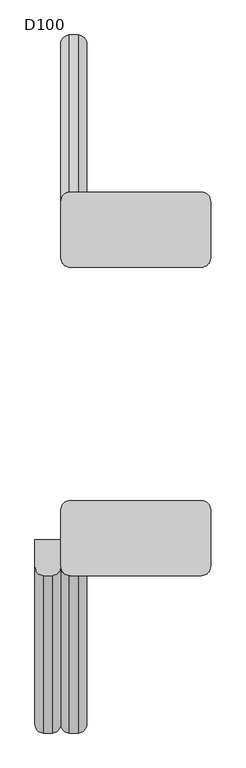
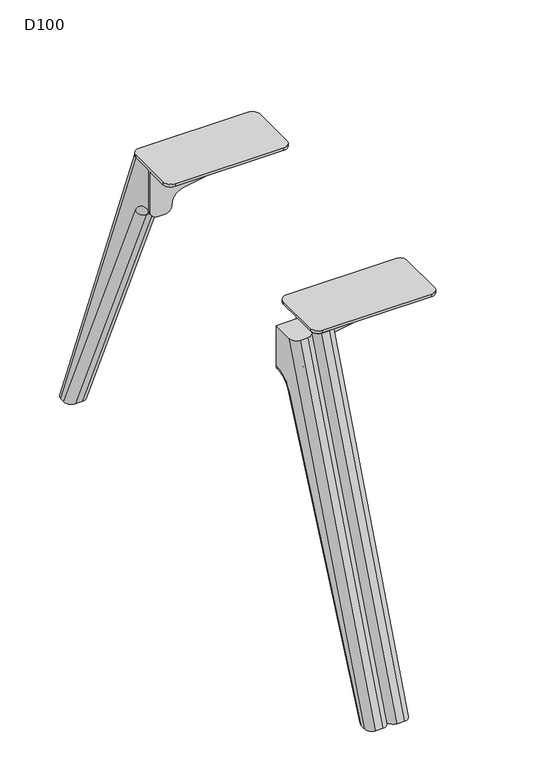
"""IFC4 building model written with IfcOpenShell, lengths in millimetres: furniture geometry, D100."""

from ifc_helpers import new_model, si_unit, point, frame, origin, place, context, project, spatial, polyline, circle_curve, ellipse_curve, trimmed, source, transform, mapped, element, save
from ifc_brep_helpers import plane_surface, cylinder_surface, revolved_surface, advanced_brep


def d100_6df05ffa(model_context):
    return source(origin(), model_context, "Body", "AdvancedBrep", [
        advanced_brep(
        [(-1080.0, -270.7236545, 700.0), (-1080.0, -270.7236545, 611.0), (-1080.0, -272.7758244, 611.0), (-1080.0, -319.3435487, 580.82862), (-1080.0, -579.4203292, 0.0), (-1080.0, -589.8218305, 0.0), (-1080.0, -316.6217076, 700.0), (-1035.0, -270.7236545, 611.0), (-1035.0, -270.7236545, 700.0), (-1035.0, -316.6217076, 700.0), (-1035.0, -589.8218305, 0.0), (-1035.0, -579.4203292, 0.0), (-1035.0, -319.3435487, 580.82862), (-1035.0, -272.7758244, 611.0), (-1065.0, -332.7236545, 700.0), (-1050.0, -332.7236545, 700.0), (-1065.0, -605.9237773, 0.0), (-1050.0, -605.9237773, 0.0), (-1065.0, -562.9852524, 0.0), (-1050.0, -562.9852524, 0.0), (-1065.0, -305.6533176, 574.6985653), (-1050.0, -305.6533176, 574.6985653), (-1065.0, -272.7758244, 596.0), (-1050.0, -272.7758244, 596.0), (-1065.0, -270.7236545, 596.0), (-1050.0, -270.7236545, 596.0)],
        [
            (0, 1),
            (1, 2),
            (2, 3, circle_curve(frame((-1080.0, -272.7758244, 559.9770583), z_axis=(1.0, 0.0, 0.0), x_axis=(0.0, -0.9126820763082377, 0.4086703164969095)), 51.0229417)),
            (3, 4),
            (4, 5),
            (5, 6),
            (6, 0),
            (7, 8),
            (8, 9),
            (9, 10),
            (10, 11),
            (11, 12),
            (12, 13, circle_curve(frame((-1035.0, -272.7758244, 559.9770583), z_axis=(-1.0, 0.0, 0.0), x_axis=(0.0, -0.9126820763082377, 0.4086703164969095)), 51.0229417)),
            (13, 7),
            (8, 0),
            (6, 14, ellipse_curve(frame((-1065.0, -316.6217076, 700.0), z_axis=(0.0, 0.0, 1.0), x_axis=(0.0, 1.0, 0.0)), 16.1019468, 15.0)),
            (14, 15),
            (15, 9, ellipse_curve(frame((-1050.0, -316.6217076, 700.0), z_axis=(0.0, 0.0, 1.0), x_axis=(0.0, 1.0, 0.0)), 16.1019468, 15.0)),
            (14, 16),
            (16, 17),
            (17, 15),
            (18, 19),
            (19, 11, ellipse_curve(frame((-1050.0, -579.4203292, 0.0), z_axis=(0.0, 0.0, -1.0), x_axis=(0.0, 1.0, 0.0)), 16.4350768, 15.0)),
            (10, 17, ellipse_curve(frame((-1050.0, -589.8218305, 0.0), z_axis=(0.0, 0.0, -1.0), x_axis=(0.0, 0.9999999999999999, 0.0)), 16.1019468, 15.0)),
            (16, 5, ellipse_curve(frame((-1065.0, -589.8218305, 0.0), z_axis=(0.0, 0.0, -1.0), x_axis=(0.0, 0.9999999999999999, 0.0)), 16.1019468, 15.0)),
            (4, 18, ellipse_curve(frame((-1065.0, -579.4203292, 0.0), z_axis=(0.0, 0.0, -1.0), x_axis=(0.0, 1.0, 0.0)), 16.4350768, 15.0)),
            (18, 20),
            (20, 21),
            (21, 19),
            (20, 22, circle_curve(frame((-1065.0, -272.7758244, 559.9770583), z_axis=(-1.0, 0.0, 0.0), x_axis=(0.0, 1.0, 0.0)), 36.0229417)),
            (22, 23),
            (23, 21, circle_curve(frame((-1050.0, -272.7758244, 559.9770583), z_axis=(1.0, 0.0, 0.0), x_axis=(0.0, 1.0, 0.0)), 36.0229417)),
            (22, 24),
            (24, 25),
            (25, 23),
            (7, 25, circle_curve(frame((-1050.0, -270.7236545, 611.0), z_axis=(0.0, 1.0, 0.0), x_axis=(0.0, 0.0, -1.0)), 15.0)),
            (24, 1, circle_curve(frame((-1065.0, -270.7236545, 611.0), z_axis=(0.0, 1.0, 0.0), x_axis=(0.0, 0.0, -1.0)), 15.0)),
            (21, 12, circle_curve(frame((-1050.0, -319.3435487, 580.82862), z_axis=(0.0, -0.40867031649690977, -0.9126820763082376), x_axis=(0.0, 0.9126820763082376, -0.40867031649690977)), 15.0)),
            (3, 20, circle_curve(frame((-1065.0, -319.3435487, 580.82862), z_axis=(0.0, -0.40867031649690977, -0.9126820763082376), x_axis=(0.0, 0.9126820763082376, -0.40867031649690977)), 15.0)),
            (13, 23, circle_curve(frame((-1050.0, -272.7758244, 611.0), z_axis=(0.0, 1.0, 0.0), x_axis=(0.0, 0.0, -1.0)), 15.0)),
            (22, 2, circle_curve(frame((-1065.0, -272.7758244, 611.0), z_axis=(0.0, 1.0, 0.0), x_axis=(0.0, 0.0, -1.0)), 15.0)),
        ],
        [
            plane_surface(frame((-1080.0, -270.7236545, 596.0), z_axis=(-1.0, 0.0, 0.0), x_axis=(0.0, 0.0, -1.0))),
            plane_surface(frame((-1035.0, -270.7236545, 596.0), z_axis=(1.0, 0.0, 0.0), x_axis=(0.0, 0.0, 1.0))),
            plane_surface(frame((-1080.0, -332.7236545, 700.0), z_axis=(0.0, 0.0, 1.0), x_axis=(1.0, 0.0, 0.0))),
            plane_surface(frame((-1080.0, -605.9237773, 0.0), z_axis=(0.0, -0.9315643722265751, 0.3635764299265108), x_axis=(1.0, 0.0, 0.0))),
            plane_surface(frame((-1080.0, -562.9852524, 0.0), z_axis=(0.0, 0.0, -1.0), x_axis=(1.0, 0.0, 0.0))),
            plane_surface(frame((-1080.0, -305.6533176, 574.6985653), z_axis=(0.0, 0.9126820763082375, -0.4086703164969101), x_axis=(1.0, 0.0, 0.0))),
            revolved_surface(polyline([(-1050.0, -236.7528827, 559.9770583), (-1065.0, -236.7528827, 559.9770583)]), (-1035.0, -272.7758244, 559.9770583), (1.0, 0.0, 0.0)),
            plane_surface(frame((-1080.0, -270.7236545, 596.0), z_axis=(0.0, 0.0, -1.0), x_axis=(1.0, 0.0, 0.0))),
            plane_surface(frame((-1080.0, -270.7236545, 700.0), z_axis=(0.0, 1.0, 0.0), x_axis=(1.0, 0.0, 0.0))),
            cylinder_surface(frame((-1050.0, -584.7803586, -11.9705362), z_axis=(0.0, 0.40867031649690977, 0.9126820763082376), x_axis=(0.0, 0.9126820763082376, -0.40867031649690977)), 15.0),
            cylinder_surface(frame((-1065.0, -584.7803586, -11.9705362), z_axis=(0.0, 0.40867031649690977, 0.9126820763082376), x_axis=(0.0, 0.9126820763082376, -0.40867031649690977)), 15.0),
            cylinder_surface(frame((-1050.0, -272.7758244, 611.0), z_axis=(0.0, 1.0, 0.0), x_axis=(0.0, 0.0, -1.0)), 15.0),
            cylinder_surface(frame((-1065.0, -272.7758244, 611.0), z_axis=(0.0, 1.0, 0.0), x_axis=(0.0, 0.0, -1.0)), 15.0),
            revolved_surface(trimmed(ellipse_curve(frame((-1050.0, -319.3435487, 580.82862), z_axis=(0.0, -0.4086703164969093, -0.9126820763082378), x_axis=(0.0, 0.9126820763082378, -0.4086703164969093)), 15.0, 15.0), [point((-1050.0, -305.6533176, 574.6985653))], [point((-1035.0, -319.3435487, 580.82862))], True, "CARTESIAN"), (-1817.0, -272.7758244, 559.9770583), (-1.0, 0.0, 0.0)),
            revolved_surface(trimmed(ellipse_curve(frame((-1065.0, -319.3435487, 580.82862), z_axis=(0.0, -0.4086703164969093, -0.9126820763082378), x_axis=(0.0, 0.9126820763082378, -0.4086703164969093)), 15.0, 15.0), [point((-1080.0, -319.3435487, 580.82862))], [point((-1065.0, -305.6533176, 574.6985653))], True, "CARTESIAN"), (-1817.0, -272.7758244, 559.9770583), (-1.0, 0.0, 0.0)),
            cylinder_surface(frame((-1050.0, -599.6644228, -25.2189296), z_axis=(0.0, 0.3635764299265101, 0.9315643722265754), x_axis=(0.0, 0.9315643722265754, -0.3635764299265101)), 15.0),
            cylinder_surface(frame((-1065.0, -599.6644228, -25.2189296), z_axis=(0.0, 0.3635764299265101, 0.9315643722265754), x_axis=(0.0, 0.9315643722265754, -0.3635764299265101)), 15.0),
        ],
        [
            (0, [[1, 2, 3, 4, 5, 6, 7]]),
            (1, [[8, 9, 10, 11, 12, 13, 14]]),
            (2, [[15, -7, 16, 17, 18, -9]]),
            (3, [[-17, 19, 20, 21]]),
            (4, [[22, 23, -11, 24, -20, 25, -5, 26]]),
            (5, [[-22, 27, 28, 29]]),
            (6, [[-28, 30, 31, 32]]),
            (7, [[-31, 33, 34, 35]]),
            (8, [[-15, -8, 36, -34, 37, -1]]),
            (9, [[38, -12, -23, -29]]),
            (10, [[39, -27, -26, -4]]),
            (11, [[40, -35, -36, -14]]),
            (12, [[41, -2, -37, -33]]),
            (13, [[-38, -32, -40, -13]]),
            (14, [[-39, -3, -41, -30]]),
            (15, [[-10, -18, -21, -24]]),
            (16, [[-6, -25, -19, -16]]),
        ],
    ),
        advanced_brep(
        [(-965.2740174, 270.7236545, 641.5327762), (-990.0036896, 270.7236545, 611.3326759), (-1005.0, 270.7236545, 596.0), (-1020.0, 270.7236545, 596.0), (-1035.0, 270.7236545, 611.0), (-1035.0, 270.7236545, 700.0), (-775.0, 270.7236545, 700.0), (-775.0, 270.7236545, 692.1898324), (-791.4913675, 270.7236545, 672.5), (-965.2740174, 264.7236545, 641.5327762), (-791.4913675, 264.7236545, 672.5), (-775.0, 264.7236545, 692.1898324), (-775.0, 264.7236545, 700.0), (-1035.0, 264.7236545, 700.0), (-1035.0, 264.7236545, 611.0), (-1020.0, 264.7236545, 596.0), (-1005.0, 264.7236545, 596.0), (-990.0036896, 264.7236545, 611.3326759), (-1035.0, 218.7236545, 700.0), (-1035.0, 218.7236545, 706.0), (-1035.0, 316.7236545, 706.0), (-1035.0, 316.7236545, 700.0), (-1019.0, 202.7236545, 706.0), (-791.0, 202.7236545, 706.0), (-775.0, 218.7236545, 706.0), (-775.0, 316.7236545, 706.0), (-791.0, 332.7236545, 706.0), (-1019.0, 332.7236545, 706.0), (-775.0, 218.7236545, 700.0), (-775.0, 316.7236545, 700.0), (-1019.0, 202.7236545, 700.0), (-791.0, 202.7236545, 700.0), (-1019.0, 332.7236545, 700.0), (-791.0, 332.7236545, 700.0)],
        [
            (0, 1, circle_curve(frame((-960.0110687, 270.7236545, 611.9980276), z_axis=(0.0, -1.0, 0.0), x_axis=(-1.0, 0.0, 0.0)), 30.0)),
            (1, 2, circle_curve(frame((-1005.0, 270.7236545, 611.0), z_axis=(0.0, 1.0, 0.0), x_axis=(-1.0, 0.0, 0.0)), 15.0)),
            (2, 3),
            (3, 4, circle_curve(frame((-1020.0, 270.7236545, 611.0), z_axis=(0.0, 1.0, 0.0), x_axis=(-1.0, 0.0, 0.0)), 15.0)),
            (4, 5),
            (5, 6),
            (6, 7),
            (7, 8, circle_curve(frame((-795.0, 270.7236545, 692.1898324), z_axis=(0.0, 1.0, 0.0), x_axis=(-1.0, 0.0, 0.0)), 20.0)),
            (8, 0),
            (9, 10),
            (10, 11, circle_curve(frame((-795.0, 264.7236545, 692.1898324), z_axis=(0.0, -1.0, 0.0), x_axis=(-1.0, 0.0, 0.0)), 20.0)),
            (11, 12),
            (12, 13),
            (13, 14),
            (14, 15, circle_curve(frame((-1020.0, 264.7236545, 611.0), z_axis=(0.0, -1.0, 0.0), x_axis=(-1.0, 0.0, 0.0)), 15.0)),
            (15, 16),
            (16, 17, circle_curve(frame((-1005.0, 264.7236545, 611.0), z_axis=(0.0, -1.0, 0.0), x_axis=(-1.0, 0.0, 0.0)), 15.0)),
            (17, 9, circle_curve(frame((-960.0110687, 264.7236545, 611.9980276), z_axis=(0.0, 1.0, 0.0), x_axis=(-1.0, 0.0, 0.0)), 30.0)),
            (0, 9),
            (17, 1),
            (4, 14),
            (13, 18),
            (18, 19),
            (19, 20),
            (20, 21),
            (21, 5),
            (19, 22, circle_curve(frame((-1019.0, 218.7236545, 706.0), z_axis=(0.0, 0.0, 1.0), x_axis=(1.0, 0.0, 0.0)), 16.0)),
            (22, 23),
            (23, 24, circle_curve(frame((-791.0, 218.7236545, 706.0), z_axis=(0.0, 0.0, 1.0), x_axis=(1.0, 0.0, 0.0)), 16.0)),
            (24, 25),
            (25, 26, circle_curve(frame((-791.0, 316.7236545, 706.0), z_axis=(0.0, 0.0, 1.0), x_axis=(1.0, 0.0, 0.0)), 16.0)),
            (26, 27),
            (27, 20, circle_curve(frame((-1019.0, 316.7236545, 706.0), z_axis=(0.0, 0.0, 1.0), x_axis=(1.0, 0.0, 0.0)), 16.0)),
            (24, 28),
            (28, 12),
            (11, 7),
            (6, 29),
            (29, 25),
            (10, 8),
            (16, 2),
            (15, 3),
            (30, 18, circle_curve(frame((-1019.0, 218.7236545, 700.0), z_axis=(0.0, 0.0, -1.0), x_axis=(1.0, 0.0, 0.0)), 16.0)),
            (28, 31, circle_curve(frame((-791.0, 218.7236545, 700.0), z_axis=(0.0, 0.0, -1.0), x_axis=(1.0, 0.0, 0.0)), 16.0)),
            (31, 30),
            (21, 32, circle_curve(frame((-1019.0, 316.7236545, 700.0), z_axis=(0.0, 0.0, -1.0), x_axis=(1.0, 0.0, 0.0)), 16.0)),
            (32, 33),
            (33, 29, circle_curve(frame((-791.0, 316.7236545, 700.0), z_axis=(0.0, 0.0, -1.0), x_axis=(1.0, 0.0, 0.0)), 16.0)),
            (30, 22),
            (27, 32),
            (26, 33),
            (23, 31),
        ],
        [
            plane_surface(frame((-990.0110687, 270.7236545, 611.9980276), z_axis=(0.0, 1.0, 0.0), x_axis=(0.0, 0.0, -1.0))),
            plane_surface(frame((-990.0110687, 264.7236545, 611.9980276), z_axis=(0.0, -1.0, 0.0), x_axis=(0.0, 0.0, 1.0))),
            revolved_surface(polyline([(-990.0110687, 264.7236545, 611.9980276), (-990.0110687, 270.7236545, 611.9980276)]), (-960.0110687, 264.7236545, 611.9980276), (0.0, -1.0, 0.0)),
            plane_surface(frame((-1035.0, 270.7236545, 611.0), z_axis=(-1.0, 0.0, 0.0), x_axis=(0.0, -1.0, 0.0))),
            plane_surface(frame((-1035.0, 270.7236545, 706.0), z_axis=(0.0, 0.0, 1.0), x_axis=(0.0, -1.0, 0.0))),
            plane_surface(frame((-775.0, 270.7236545, 706.0), z_axis=(1.0, 0.0, 0.0), x_axis=(0.0, -1.0, 0.0))),
            cylinder_surface(frame((-795.0, 264.7236545, 692.1898324), z_axis=(0.0, 1.0, 0.0), x_axis=(-1.0, 0.0, 0.0)), 20.0),
            plane_surface(frame((-791.4913675, 270.7236545, 672.5), z_axis=(0.1754316229946508, 0.0, -0.9844916178685641), x_axis=(0.0, -1.0, 0.0))),
            cylinder_surface(frame((-1005.0, 264.7236545, 611.0), z_axis=(0.0, 1.0, 0.0), x_axis=(-1.0, 0.0, 0.0)), 15.0),
            plane_surface(frame((-1005.0, 270.7236545, 596.0), z_axis=(0.0, 0.0, -1.0), x_axis=(0.0, -1.0, 0.0))),
            cylinder_surface(frame((-1020.0, 264.7236545, 611.0), z_axis=(0.0, 1.0, 0.0), x_axis=(-1.0, 0.0, 0.0)), 15.0),
            plane_surface(frame((-791.0, 202.7236545, 700.0), z_axis=(0.0, 0.0, -1.0), x_axis=(-1.0, 0.0, 0.0))),
            cylinder_surface(frame((-1019.0, 218.7236545, 700.0), z_axis=(0.0, 0.0, 1.0), x_axis=(1.0, 0.0, 0.0)), 16.0),
            cylinder_surface(frame((-1019.0, 316.7236545, 700.0), z_axis=(0.0, 0.0, 1.0), x_axis=(1.0, 0.0, 0.0)), 16.0),
            plane_surface(frame((-791.0, 332.7236545, 706.0), z_axis=(0.0, 1.0, 0.0), x_axis=(0.0, 0.0, -1.0))),
            cylinder_surface(frame((-791.0, 316.7236545, 700.0), z_axis=(0.0, 0.0, 1.0), x_axis=(1.0, 0.0, 0.0)), 16.0),
            cylinder_surface(frame((-791.0, 218.7236545, 700.0), z_axis=(0.0, 0.0, 1.0), x_axis=(1.0, 0.0, 0.0)), 16.0),
            plane_surface(frame((-1019.0, 202.7236545, 706.0), z_axis=(0.0, -1.0, 0.0), x_axis=(0.0, 0.0, -1.0))),
        ],
        [
            (0, [[1, 2, 3, 4, 5, 6, 7, 8, 9]]),
            (1, [[10, 11, 12, 13, 14, 15, 16, 17, 18]]),
            (2, [[-1, 19, -18, 20]]),
            (3, [[21, -14, 22, 23, 24, 25, 26, -5]]),
            (4, [[-24, 27, 28, 29, 30, 31, 32, 33]]),
            (5, [[-30, 34, 35, -12, 36, -7, 37, 38]]),
            (6, [[-8, -36, -11, 39]]),
            (7, [[-9, -39, -10, -19]]),
            (8, [[-2, -20, -17, 40]]),
            (9, [[-3, -40, -16, 41]]),
            (10, [[-4, -41, -15, -21]]),
            (11, [[42, -22, -13, -35, 43, 44]]),
            (11, [[45, 46, 47, -37, -6, -26]]),
            (12, [[-27, -23, -42, 48]]),
            (13, [[-33, 49, -45, -25]]),
            (14, [[-32, 50, -46, -49]]),
            (15, [[-31, -38, -47, -50]]),
            (16, [[-29, 51, -43, -34]]),
            (17, [[-28, -48, -44, -51]]),
        ],
    ),
        advanced_brep(
        [(-1035.0, 272.7758244, 611.0), (-1020.0, 272.7758244, 596.0), (-1020.0, 270.7236545, 596.0), (-1035.0, 270.7236545, 611.0), (-1005.0, 272.7758244, 596.0), (-990.0, 272.7758244, 611.0), (-990.0, 270.7236545, 611.0), (-1005.0, 270.7236545, 596.0), (-1020.0, 305.6533176, 574.6985653), (-1035.0, 319.3435487, 580.82862), (-1035.0, 579.4203292, 0.0), (-1020.0, 562.9852524, 0.0), (-990.0, 319.3435487, 580.82862), (-1005.0, 305.6533176, 574.6985653), (-1005.0, 562.9852524, 0.0), (-990.0, 579.4203292, 0.0), (-990.0, 270.7236545, 700.0), (-990.0, 589.8218305, 0.0), (-990.0, 316.6217076, 700.0), (-1035.0, 270.7236545, 700.0), (-1035.0, 316.6217076, 700.0), (-1035.0, 589.8218305, 0.0), (-1005.0, 332.7236545, 700.0), (-1020.0, 332.7236545, 700.0), (-1005.0, 605.9237773, 0.0), (-1020.0, 605.9237773, 0.0)],
        [
            (0, 1, circle_curve(frame((-1020.0, 272.7758244, 611.0), z_axis=(0.0, -1.0, 0.0), x_axis=(0.0, 0.0, 1.0)), 15.0)),
            (1, 2),
            (2, 3, circle_curve(frame((-1020.0, 270.7236545, 611.0), z_axis=(0.0, 1.0, 0.0), x_axis=(0.0, 0.0, 1.0)), 15.0)),
            (3, 0),
            (4, 5, circle_curve(frame((-1005.0, 272.7758244, 611.0), z_axis=(0.0, -1.0, 0.0), x_axis=(0.0, 0.0, 1.0)), 15.0)),
            (5, 6),
            (6, 7, circle_curve(frame((-1005.0, 270.7236545, 611.0), z_axis=(0.0, 1.0, 0.0), x_axis=(0.0, 0.0, 1.0)), 15.0)),
            (7, 4),
            (8, 9, circle_curve(frame((-1020.0, 319.3435487, 580.82862), z_axis=(0.0, 0.40867031649691005, -0.9126820763082376), x_axis=(0.0, 0.9126820763082376, 0.40867031649691005)), 15.0)),
            (9, 10),
            (10, 11, ellipse_curve(frame((-1020.0, 579.4203292, 0.0), z_axis=(0.0, 0.0, 1.0), x_axis=(0.0, 0.9999999999999999, 0.0)), 16.4350768, 15.0)),
            (11, 8),
            (12, 13, circle_curve(frame((-1005.0, 319.3435487, 580.82862), z_axis=(0.0, 0.40867031649691005, -0.9126820763082376), x_axis=(0.0, 0.9126820763082376, 0.40867031649691005)), 15.0)),
            (13, 14),
            (14, 15, ellipse_curve(frame((-1005.0, 579.4203292, 0.0), z_axis=(0.0, 0.0, 1.0), x_axis=(0.0, 0.9999999999999999, 0.0)), 16.4350768, 15.0)),
            (15, 12),
            (0, 9, circle_curve(frame((-1035.0, 272.7758244, 559.9770583), z_axis=(-1.0, 0.0, 0.0), x_axis=(0.0, 0.0, 1.0)), 51.0229417)),
            (8, 1, circle_curve(frame((-1020.0, 272.7758244, 559.9770583), z_axis=(1.0, 0.0, 0.0), x_axis=(0.0, 0.0, 1.0)), 36.0229417)),
            (4, 13, circle_curve(frame((-1005.0, 272.7758244, 559.9770583), z_axis=(-1.0, 0.0, 0.0), x_axis=(0.0, 0.0, 1.0)), 36.0229417)),
            (12, 5, circle_curve(frame((-990.0, 272.7758244, 559.9770583), z_axis=(1.0, 0.0, 0.0), x_axis=(0.0, 0.0, 1.0)), 51.0229417)),
            (16, 6),
            (15, 17),
            (17, 18),
            (18, 16),
            (3, 19),
            (19, 20),
            (20, 21),
            (21, 10),
            (19, 16),
            (18, 22, ellipse_curve(frame((-1005.0, 316.6217076, 700.0), z_axis=(0.0, 0.0, 1.0), x_axis=(0.0, -1.0, 0.0)), 16.1019468, 15.0)),
            (22, 23),
            (23, 20, ellipse_curve(frame((-1020.0, 316.6217076, 700.0), z_axis=(0.0, 0.0, 1.0), x_axis=(0.0, -1.0, 0.0)), 16.1019468, 15.0)),
            (22, 24),
            (24, 25),
            (25, 23),
            (14, 11),
            (21, 25, ellipse_curve(frame((-1020.0, 589.8218305, 0.0), z_axis=(0.0, 0.0, -1.0), x_axis=(0.0, -0.9999999999999999, 0.0)), 16.1019468, 15.0)),
            (24, 17, ellipse_curve(frame((-1005.0, 589.8218305, 0.0), z_axis=(0.0, 0.0, -1.0), x_axis=(0.0, -0.9999999999999999, 0.0)), 16.1019468, 15.0)),
            (13, 8),
            (4, 1),
            (7, 2),
        ],
        [
            cylinder_surface(frame((-1020.0, -272.7758244, 611.0), z_axis=(0.0, 1.0, 0.0), x_axis=(0.0, 0.0, 1.0)), 15.0),
            cylinder_surface(frame((-1005.0, -272.7758244, 611.0), z_axis=(0.0, 1.0, 0.0), x_axis=(0.0, 0.0, 1.0)), 15.0),
            cylinder_surface(frame((-1020.0, 319.3435487, 580.82862), z_axis=(0.0, 0.40867031649691005, -0.9126820763082376), x_axis=(0.0, 0.9126820763082376, 0.40867031649691005)), 15.0),
            cylinder_surface(frame((-1005.0, 319.3435487, 580.82862), z_axis=(0.0, 0.40867031649691005, -0.9126820763082376), x_axis=(0.0, 0.9126820763082376, 0.40867031649691005)), 15.0),
            revolved_surface(trimmed(ellipse_curve(frame((-1020.0, 272.7758244, 611.0), z_axis=(0.0, -1.0, 0.0), x_axis=(0.0, 0.0, 1.0)), 15.0, 15.0), [point((-1035.0, 272.7758244, 611.0))], [point((-1020.0, 272.7758244, 596.0))], True, "CARTESIAN"), (-253.0, 272.7758244, 559.9770583), (-1.0, 0.0, 0.0)),
            revolved_surface(trimmed(ellipse_curve(frame((-1005.0, 272.7758244, 611.0), z_axis=(0.0, -1.0, 0.0), x_axis=(0.0, 0.0, 1.0)), 15.0, 15.0), [point((-1005.0, 272.7758244, 596.0))], [point((-990.0, 272.7758244, 611.0))], True, "CARTESIAN"), (-253.0, 272.7758244, 559.9770583), (-1.0, 0.0, 0.0)),
            plane_surface(frame((-990.0, 270.7236545, 596.0), z_axis=(1.0, 0.0, 0.0), x_axis=(0.0, 0.0, -1.0))),
            plane_surface(frame((-1035.0, 270.7236545, 596.0), z_axis=(-1.0, 0.0, 0.0), x_axis=(0.0, 0.0, 1.0))),
            plane_surface(frame((-990.0, 332.7236545, 700.0), z_axis=(0.0, 0.0, 1.0), x_axis=(-1.0, 0.0, 0.0))),
            plane_surface(frame((-990.0, 605.9237773, 0.0), z_axis=(0.0, 0.9315643722265751, 0.3635764299265108), x_axis=(-1.0, 0.0, 0.0))),
            plane_surface(frame((-990.0, 562.9852524, 0.0), z_axis=(0.0, 0.0, -1.0), x_axis=(-1.0, 0.0, 0.0))),
            plane_surface(frame((-990.0, 305.6533176, 574.6985653), z_axis=(0.0, -0.9126820763082374, -0.4086703164969102), x_axis=(-1.0, 0.0, 0.0))),
            revolved_surface(polyline([(-1020.0, 236.7528827, 559.9770583), (-1005.0, 236.7528827, 559.9770583)]), (-1035.0, 272.7758244, 559.9770583), (-1.0, 0.0, 0.0)),
            plane_surface(frame((-990.0, 270.7236545, 596.0), z_axis=(0.0, 0.0, -1.0), x_axis=(-1.0, 0.0, 0.0))),
            plane_surface(frame((-990.0, 270.7236545, 700.0), z_axis=(0.0, -1.0, 0.0), x_axis=(-1.0, 0.0, 0.0))),
            cylinder_surface(frame((-1020.0, 599.6644228, -25.2189296), z_axis=(0.0, -0.3635764299265101, 0.9315643722265754), x_axis=(0.0, -0.9315643722265754, -0.3635764299265101)), 15.0),
            cylinder_surface(frame((-1005.0, 599.6644228, -25.2189296), z_axis=(0.0, -0.3635764299265101, 0.9315643722265754), x_axis=(0.0, -0.9315643722265754, -0.3635764299265101)), 15.0),
        ],
        [
            (0, [[1, 2, 3, 4]]),
            (1, [[5, 6, 7, 8]]),
            (2, [[9, 10, 11, 12]]),
            (3, [[13, 14, 15, 16]]),
            (4, [[-1, 17, -9, 18]]),
            (5, [[-5, 19, -13, 20]]),
            (6, [[21, -6, -20, -16, 22, 23, 24]]),
            (7, [[25, 26, 27, 28, -10, -17, -4]]),
            (8, [[29, -24, 30, 31, 32, -26]]),
            (9, [[-31, 33, 34, 35]]),
            (10, [[36, -11, -28, 37, -34, 38, -22, -15]]),
            (11, [[-36, -14, 39, -12]]),
            (12, [[-39, -19, 40, -18]]),
            (13, [[-40, -8, 41, -2]]),
            (14, [[-29, -25, -3, -41, -7, -21]]),
            (15, [[-27, -32, -35, -37]]),
            (16, [[-23, -38, -33, -30]]),
        ],
    ),
        advanced_brep(
        [(-1019.0, -202.7236545, 706.0), (-1035.0, -218.7236545, 706.0), (-1035.0, -316.7236545, 706.0), (-1019.0, -332.7236545, 706.0), (-791.0, -332.7236545, 706.0), (-775.0, -316.7236545, 706.0), (-775.0, -218.7236545, 706.0), (-791.0, -202.7236545, 706.0), (-1019.0, -202.7236545, 700.0), (-791.0, -202.7236545, 700.0), (-775.0, -218.7236545, 700.0), (-775.0, -264.7236545, 700.0), (-1035.0, -264.7236545, 700.0), (-1035.0, -218.7236545, 700.0), (-775.0, -316.7236545, 700.0), (-791.0, -332.7236545, 700.0), (-1019.0, -332.7236545, 700.0), (-1035.0, -316.7236545, 700.0), (-1035.0, -270.7236545, 700.0), (-775.0, -270.7236545, 700.0), (-1035.0, -264.7236545, 611.0), (-1035.0, -270.7236545, 611.0), (-775.0, -270.7236545, 692.1898324), (-775.0, -264.7236545, 692.1898324), (-965.2740174, -270.7236545, 641.5327762), (-791.4913675, -270.7236545, 672.5), (-1020.0, -270.7236545, 596.0), (-1005.0, -270.7236545, 596.0), (-990.0036896, -270.7236545, 611.3326759), (-965.2740174, -264.7236545, 641.5327762), (-990.0036896, -264.7236545, 611.3326759), (-1005.0, -264.7236545, 596.0), (-1020.0, -264.7236545, 596.0), (-791.4913675, -264.7236545, 672.5)],
        [
            (0, 1, circle_curve(frame((-1019.0, -218.7236545, 706.0), z_axis=(0.0, 0.0, 1.0), x_axis=(1.0, 0.0, 0.0)), 16.0)),
            (1, 2),
            (2, 3, circle_curve(frame((-1019.0, -316.7236545, 706.0), z_axis=(0.0, 0.0, 1.0), x_axis=(1.0, 0.0, 0.0)), 16.0)),
            (3, 4),
            (4, 5, circle_curve(frame((-791.0, -316.7236545, 706.0), z_axis=(0.0, 0.0, 1.0), x_axis=(1.0, 0.0, 0.0)), 16.0)),
            (5, 6),
            (6, 7, circle_curve(frame((-791.0, -218.7236545, 706.0), z_axis=(0.0, 0.0, 1.0), x_axis=(1.0, 0.0, 0.0)), 16.0)),
            (7, 0),
            (8, 9),
            (9, 10, circle_curve(frame((-791.0, -218.7236545, 700.0), z_axis=(0.0, 0.0, -1.0), x_axis=(1.0, 0.0, 0.0)), 16.0)),
            (10, 11),
            (11, 12),
            (12, 13),
            (13, 8, circle_curve(frame((-1019.0, -218.7236545, 700.0), z_axis=(0.0, 0.0, -1.0), x_axis=(1.0, 0.0, 0.0)), 16.0)),
            (14, 15, circle_curve(frame((-791.0, -316.7236545, 700.0), z_axis=(0.0, 0.0, -1.0), x_axis=(1.0, 0.0, 0.0)), 16.0)),
            (15, 16),
            (16, 17, circle_curve(frame((-1019.0, -316.7236545, 700.0), z_axis=(0.0, 0.0, -1.0), x_axis=(1.0, 0.0, 0.0)), 16.0)),
            (17, 18),
            (18, 19),
            (19, 14),
            (0, 8),
            (13, 1),
            (12, 20),
            (20, 21),
            (21, 18),
            (17, 2),
            (16, 3),
            (15, 4),
            (14, 5),
            (19, 22),
            (22, 23),
            (23, 11),
            (10, 6),
            (9, 7),
            (24, 25),
            (25, 22, circle_curve(frame((-795.0, -270.7236545, 692.1898324), z_axis=(0.0, -1.0, 0.0), x_axis=(-1.0, 0.0, 0.0)), 20.0)),
            (21, 26, circle_curve(frame((-1020.0, -270.7236545, 611.0), z_axis=(0.0, -1.0, 0.0), x_axis=(-1.0, 0.0, 0.0)), 15.0)),
            (26, 27),
            (27, 28, circle_curve(frame((-1005.0, -270.7236545, 611.0), z_axis=(0.0, -1.0, 0.0), x_axis=(-1.0, 0.0, 0.0)), 15.0)),
            (28, 24, circle_curve(frame((-960.0110687, -270.7236545, 611.9980276), z_axis=(0.0, 1.0, 0.0), x_axis=(-1.0, 0.0, 0.0)), 30.0)),
            (29, 30, circle_curve(frame((-960.0110687, -264.7236545, 611.9980276), z_axis=(0.0, -1.0, 0.0), x_axis=(-1.0, 0.0, 0.0)), 30.0)),
            (30, 31, circle_curve(frame((-1005.0, -264.7236545, 611.0), z_axis=(0.0, 1.0, 0.0), x_axis=(-1.0, 0.0, 0.0)), 15.0)),
            (31, 32),
            (32, 20, circle_curve(frame((-1020.0, -264.7236545, 611.0), z_axis=(0.0, 1.0, 0.0), x_axis=(-1.0, 0.0, 0.0)), 15.0)),
            (23, 33, circle_curve(frame((-795.0, -264.7236545, 692.1898324), z_axis=(0.0, 1.0, 0.0), x_axis=(-1.0, 0.0, 0.0)), 20.0)),
            (33, 29),
            (28, 30),
            (29, 24),
            (25, 33),
            (27, 31),
            (26, 32),
        ],
        [
            plane_surface(frame((-1003.0, -218.7236545, 706.0), z_axis=(0.0, 0.0, 1.0), x_axis=(0.0, 1.0, 0.0))),
            plane_surface(frame((-1003.0, -218.7236545, 700.0), z_axis=(0.0, 0.0, -1.0), x_axis=(0.0, -1.0, 0.0))),
            cylinder_surface(frame((-1019.0, -218.7236545, 700.0), z_axis=(0.0, 0.0, 1.0), x_axis=(1.0, 0.0, 0.0)), 16.0),
            plane_surface(frame((-1035.0, -218.7236545, 706.0), z_axis=(-1.0, 0.0, 0.0), x_axis=(0.0, 0.0, -1.0))),
            cylinder_surface(frame((-1019.0, -316.7236545, 700.0), z_axis=(0.0, 0.0, 1.0), x_axis=(1.0, 0.0, 0.0)), 16.0),
            plane_surface(frame((-1019.0, -332.7236545, 706.0), z_axis=(0.0, -1.0, 0.0), x_axis=(0.0, 0.0, -1.0))),
            cylinder_surface(frame((-791.0, -316.7236545, 700.0), z_axis=(0.0, 0.0, 1.0), x_axis=(1.0, 0.0, 0.0)), 16.0),
            plane_surface(frame((-775.0, -316.7236545, 706.0), z_axis=(1.0, 0.0, 0.0), x_axis=(0.0, 0.0, -1.0))),
            cylinder_surface(frame((-791.0, -218.7236545, 700.0), z_axis=(0.0, 0.0, 1.0), x_axis=(1.0, 0.0, 0.0)), 16.0),
            plane_surface(frame((-791.0, -202.7236545, 706.0), z_axis=(0.0, 1.0, 0.0), x_axis=(0.0, 0.0, -1.0))),
            plane_surface(frame((-791.4913675, -270.7236545, 672.5), z_axis=(0.0, -1.0, 0.0), x_axis=(0.9844916178685641, 0.0, 0.1754316229946508))),
            plane_surface(frame((-791.4913675, -264.7236545, 672.5), z_axis=(0.0, 1.0, 0.0), x_axis=(-0.9844916178685641, 0.0, -0.1754316229946508))),
            revolved_surface(polyline([(-990.0110687, -264.7236545, 611.9980276), (-990.0110687, -270.7236545, 611.9980276)]), (-960.0110687, -264.7236545, 611.9980276), (0.0, 1.0, 0.0)),
            cylinder_surface(frame((-795.0, -264.7236545, 692.1898324), z_axis=(0.0, -1.0, 0.0), x_axis=(-1.0, 0.0, 0.0)), 20.0),
            plane_surface(frame((-965.2740174, -270.7236545, 641.5327762), z_axis=(0.1754316229946508, 0.0, -0.9844916178685641), x_axis=(0.0, 1.0, 0.0))),
            cylinder_surface(frame((-1005.0, -264.7236545, 611.0), z_axis=(0.0, -1.0, 0.0), x_axis=(-1.0, 0.0, 0.0)), 15.0),
            plane_surface(frame((-1020.0, -270.7236545, 596.0), z_axis=(0.0, 0.0, -1.0), x_axis=(0.0, 1.0, 0.0))),
            cylinder_surface(frame((-1020.0, -264.7236545, 611.0), z_axis=(0.0, -1.0, 0.0), x_axis=(-1.0, 0.0, 0.0)), 15.0),
        ],
        [
            (0, [[1, 2, 3, 4, 5, 6, 7, 8]]),
            (1, [[9, 10, 11, 12, 13, 14]]),
            (1, [[15, 16, 17, 18, 19, 20]]),
            (2, [[-1, 21, -14, 22]]),
            (3, [[-22, -13, 23, 24, 25, -18, 26, -2]]),
            (4, [[-3, -26, -17, 27]]),
            (5, [[-4, -27, -16, 28]]),
            (6, [[-5, -28, -15, 29]]),
            (7, [[-29, -20, 30, 31, 32, -11, 33, -6]]),
            (8, [[-7, -33, -10, 34]]),
            (9, [[-8, -34, -9, -21]]),
            (10, [[35, 36, -30, -19, -25, 37, 38, 39, 40]]),
            (11, [[41, 42, 43, 44, -23, -12, -32, 45, 46]]),
            (12, [[-40, 47, -41, 48]]),
            (13, [[-36, 49, -45, -31]]),
            (14, [[-35, -48, -46, -49]]),
            (15, [[-39, 50, -42, -47]]),
            (16, [[-38, 51, -43, -50]]),
            (17, [[-37, -24, -44, -51]]),
        ],
    ),
        advanced_brep(
        [(-990.0, -270.7236545, 611.0), (-990.0, -270.7236545, 700.0), (-990.0, -316.6217076, 700.0), (-990.0, -589.8218305, 0.0), (-990.0, -579.4203292, 0.0), (-990.0, -319.3435487, 580.82862), (-990.0, -272.7758244, 611.0), (-1035.0, -270.7236545, 700.0), (-1035.0, -270.7236545, 611.0), (-1035.0, -272.7758244, 611.0), (-1035.0, -319.3435487, 580.82862), (-1035.0, -579.4203292, 0.0), (-1035.0, -589.8218305, 0.0), (-1035.0, -316.6217076, 700.0), (-1020.0, -332.7236545, 700.0), (-1005.0, -332.7236545, 700.0), (-1020.0, -605.9237773, 0.0), (-1005.0, -605.9237773, 0.0), (-1020.0, -562.9852524, 0.0), (-1005.0, -562.9852524, 0.0), (-1020.0, -305.6533176, 574.6985653), (-1005.0, -305.6533176, 574.6985653), (-1020.0, -272.7758244, 596.0), (-1005.0, -272.7758244, 596.0), (-1020.0, -270.7236545, 596.0), (-1005.0, -270.7236545, 596.0)],
        [
            (0, 1),
            (1, 2),
            (2, 3),
            (3, 4),
            (4, 5),
            (5, 6, circle_curve(frame((-990.0, -272.7758244, 559.9770583), z_axis=(-1.0, 0.0, 0.0), x_axis=(0.0, -0.9126820763082377, 0.4086703164969095)), 51.0229417)),
            (6, 0),
            (7, 8),
            (8, 9),
            (9, 10, circle_curve(frame((-1035.0, -272.7758244, 559.9770583), z_axis=(1.0, 0.0, 0.0), x_axis=(0.0, -0.9126820763082377, 0.4086703164969095)), 51.0229417)),
            (10, 11),
            (11, 12),
            (12, 13),
            (13, 7),
            (1, 7),
            (13, 14, ellipse_curve(frame((-1020.0, -316.6217076, 700.0), z_axis=(0.0, 0.0, 1.0), x_axis=(0.0, 1.0, 0.0)), 16.1019468, 15.0)),
            (14, 15),
            (15, 2, ellipse_curve(frame((-1005.0, -316.6217076, 700.0), z_axis=(0.0, 0.0, 1.0), x_axis=(0.0, 1.0, 0.0)), 16.1019468, 15.0)),
            (14, 16),
            (16, 17),
            (17, 15),
            (18, 19),
            (19, 4, ellipse_curve(frame((-1005.0, -579.4203292, 0.0), z_axis=(0.0, 0.0, -1.0), x_axis=(0.0, 1.0, 0.0)), 16.4350768, 15.0)),
            (3, 17, ellipse_curve(frame((-1005.0, -589.8218305, 0.0), z_axis=(0.0, 0.0, -1.0), x_axis=(0.0, 0.9999999999999999, 0.0)), 16.1019468, 15.0)),
            (16, 12, ellipse_curve(frame((-1020.0, -589.8218305, 0.0), z_axis=(0.0, 0.0, -1.0), x_axis=(0.0, 0.9999999999999999, 0.0)), 16.1019468, 15.0)),
            (11, 18, ellipse_curve(frame((-1020.0, -579.4203292, 0.0), z_axis=(0.0, 0.0, -1.0), x_axis=(0.0, 1.0, 0.0)), 16.4350768, 15.0)),
            (18, 20),
            (20, 21),
            (21, 19),
            (20, 22, circle_curve(frame((-1020.0, -272.7758244, 559.9770583), z_axis=(-1.0, 0.0, 0.0), x_axis=(0.0, 1.0, 0.0)), 36.0229417)),
            (22, 23),
            (23, 21, circle_curve(frame((-1005.0, -272.7758244, 559.9770583), z_axis=(1.0, 0.0, 0.0), x_axis=(0.0, 1.0, 0.0)), 36.0229417)),
            (22, 24),
            (24, 25),
            (25, 23),
            (0, 25, circle_curve(frame((-1005.0, -270.7236545, 611.0), z_axis=(0.0, 1.0, 0.0), x_axis=(0.0, 0.0, 1.0)), 15.0)),
            (24, 8, circle_curve(frame((-1020.0, -270.7236545, 611.0), z_axis=(0.0, 1.0, 0.0), x_axis=(0.0, 0.0, 1.0)), 15.0)),
            (10, 20, circle_curve(frame((-1020.0, -319.3435487, 580.82862), z_axis=(0.0, -0.40867031649690977, -0.9126820763082376), x_axis=(0.0, -0.9126820763082376, 0.40867031649690977)), 15.0)),
            (21, 5, circle_curve(frame((-1005.0, -319.3435487, 580.82862), z_axis=(0.0, -0.40867031649690977, -0.9126820763082376), x_axis=(0.0, -0.9126820763082376, 0.40867031649690977)), 15.0)),
            (22, 9, circle_curve(frame((-1020.0, -272.7758244, 611.0), z_axis=(0.0, 1.0, 0.0), x_axis=(0.0, 0.0, 1.0)), 15.0)),
            (6, 23, circle_curve(frame((-1005.0, -272.7758244, 611.0), z_axis=(0.0, 1.0, 0.0), x_axis=(0.0, 0.0, 1.0)), 15.0)),
        ],
        [
            plane_surface(frame((-990.0, -291.5455549, 700.0), z_axis=(1.0, 0.0, 0.0), x_axis=(0.0, -1.0, 0.0))),
            plane_surface(frame((-1035.0, -291.5455549, 700.0), z_axis=(-1.0, 0.0, 0.0), x_axis=(0.0, 1.0, 0.0))),
            plane_surface(frame((-990.0, -270.7236545, 700.0), z_axis=(0.0, 0.0, 1.0), x_axis=(-1.0, 0.0, 0.0))),
            plane_surface(frame((-990.0, -332.7236545, 700.0), z_axis=(0.0, -0.9315643722265751, 0.3635764299265108), x_axis=(-1.0, 0.0, 0.0))),
            plane_surface(frame((-990.0, -605.9237773, 0.0), z_axis=(0.0, 0.0, -1.0), x_axis=(-1.0, 0.0, 0.0))),
            plane_surface(frame((-990.0, -562.9852524, 0.0), z_axis=(0.0, 0.9126820763082375, -0.4086703164969101), x_axis=(-1.0, 0.0, 0.0))),
            revolved_surface(polyline([(-1020.0, -236.7528827, 559.9770583), (-1005.0, -236.7528827, 559.9770583)]), (-1035.0, -272.7758244, 559.9770583), (-1.0, 0.0, 0.0)),
            plane_surface(frame((-990.0, -272.7758244, 596.0), z_axis=(0.0, 0.0, -1.0), x_axis=(-1.0, 0.0, 0.0))),
            plane_surface(frame((-990.0, -270.7236545, 596.0), z_axis=(0.0, 1.0, 0.0), x_axis=(-1.0, 0.0, 0.0))),
            cylinder_surface(frame((-1020.0, -584.7803586, -11.9705362), z_axis=(0.0, 0.40867031649690977, 0.9126820763082376), x_axis=(0.0, -0.9126820763082376, 0.40867031649690977)), 15.0),
            cylinder_surface(frame((-1005.0, -584.7803586, -11.9705362), z_axis=(0.0, 0.40867031649690977, 0.9126820763082376), x_axis=(0.0, -0.9126820763082376, 0.40867031649690977)), 15.0),
            cylinder_surface(frame((-1020.0, -272.7758244, 611.0), z_axis=(0.0, 1.0, 0.0), x_axis=(0.0, 0.0, 1.0)), 15.0),
            cylinder_surface(frame((-1005.0, -272.7758244, 611.0), z_axis=(0.0, 1.0, 0.0), x_axis=(0.0, 0.0, 1.0)), 15.0),
            revolved_surface(trimmed(ellipse_curve(frame((-1020.0, -319.3435487, 580.82862), z_axis=(0.0, -0.4086703164969093, -0.9126820763082378), x_axis=(0.0, -0.9126820763082378, 0.4086703164969093)), 15.0, 15.0), [point((-1035.0, -319.3435487, 580.82862))], [point((-1020.0, -305.6533176, 574.6985653))], True, "CARTESIAN"), (-253.0, -272.7758244, 559.9770583), (-1.0, 0.0, 0.0)),
            revolved_surface(trimmed(ellipse_curve(frame((-1005.0, -319.3435487, 580.82862), z_axis=(0.0, -0.4086703164969093, -0.9126820763082378), x_axis=(0.0, -0.9126820763082378, 0.4086703164969093)), 15.0, 15.0), [point((-1005.0, -305.6533176, 574.6985653))], [point((-990.0, -319.3435487, 580.82862))], True, "CARTESIAN"), (-253.0, -272.7758244, 559.9770583), (-1.0, 0.0, 0.0)),
            cylinder_surface(frame((-1020.0, -599.6644228, -25.2189296), z_axis=(0.0, 0.3635764299265101, 0.9315643722265754), x_axis=(0.0, -0.9315643722265754, 0.3635764299265101)), 15.0),
            cylinder_surface(frame((-1005.0, -599.6644228, -25.2189296), z_axis=(0.0, 0.3635764299265101, 0.9315643722265754), x_axis=(0.0, -0.9315643722265754, 0.3635764299265101)), 15.0),
        ],
        [
            (0, [[1, 2, 3, 4, 5, 6, 7]]),
            (1, [[8, 9, 10, 11, 12, 13, 14]]),
            (2, [[15, -14, 16, 17, 18, -2]]),
            (3, [[-17, 19, 20, 21]]),
            (4, [[22, 23, -4, 24, -20, 25, -12, 26]]),
            (5, [[-22, 27, 28, 29]]),
            (6, [[-28, 30, 31, 32]]),
            (7, [[-31, 33, 34, 35]]),
            (8, [[-15, -1, 36, -34, 37, -8]]),
            (9, [[38, -27, -26, -11]]),
            (10, [[39, -5, -23, -29]]),
            (11, [[40, -9, -37, -33]]),
            (12, [[41, -35, -36, -7]]),
            (13, [[-38, -10, -40, -30]]),
            (14, [[-39, -32, -41, -6]]),
            (15, [[-13, -25, -19, -16]]),
            (16, [[-3, -18, -21, -24]]),
        ],
    ),
    ])


if __name__ == "__main__":
    model = new_model("IFC4")
    model_context = context("Model", 3, world=origin())
    ifc_project = project(units=[si_unit("LENGTHUNIT", "METRE", prefix="MILLI")], contexts=[model_context])
    site = spatial("IfcSite", under=ifc_project)
    building = spatial("IfcBuilding", under=site)
    placement = place(None, origin())
    d100_shape = d100_6df05ffa(model_context)
    element("IfcFurniture", 1, ObjectType="D100", at=placement, inside=building, context=model_context, shape_type="MappedRepresentation", body=[
        mapped(d100_shape, transform((0.0, 0.0, 0.0), x_axis=(1.0, 0.0, 0.0), y_axis=(0.0, 1.0, 0.0), z_axis=(0.0, 0.0, 1.0))),
    ])
    save(model, "model.ifc")
